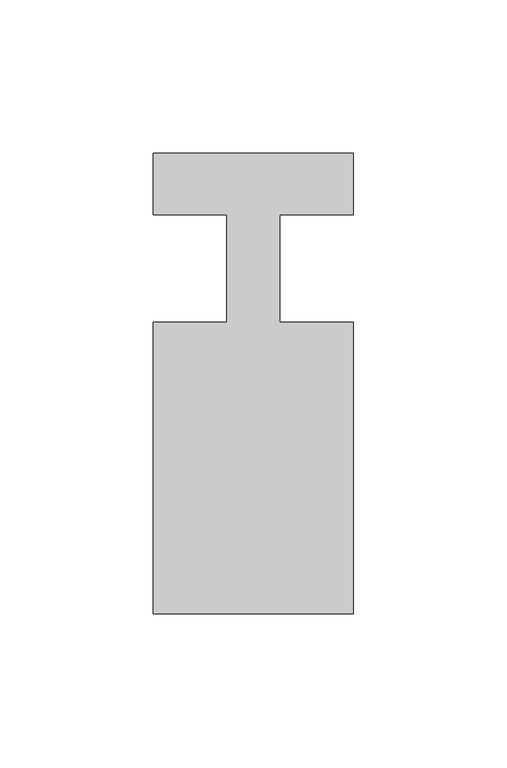
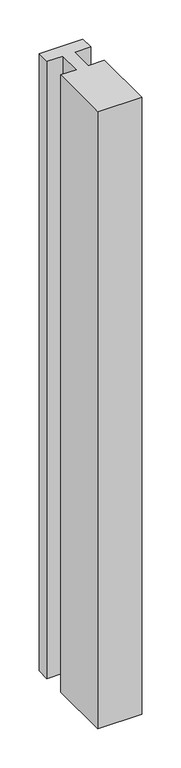
"""IFC4 building model written with IfcOpenShell, lengths in millimetres: member geometry."""

from ifc_helpers import new_model, si_unit, frame, origin, place, context, project, spatial, polyline, outline, extrude, source, transform, mapped, element, save


def member_152e2ebf(model_context):
    return source(origin(), model_context, "Body", "SweptSolid", [
        extrude(outline(polyline([(-65.0, 37.0), (0.0, 37.0), (0.0, 17.0), (-23.8125, 17.0), (-23.8125, -18.0), (0.0, -18.0), (0.0, -113.0), (-65.0, -113.0), (-65.0, -18.0), (-41.1875, -18.0), (-41.1875, 17.0), (-65.0, 17.0), (-65.0, 37.0)])), frame((0.0, 0.0, -965.0), z_axis=(0.0, 0.0, 1.0), x_axis=(1.0, 0.0, 0.0)), (0.0, 0.0, 1.0), 965.0),
    ])


if __name__ == "__main__":
    model = new_model("IFC4")
    model_context = context("Model", 3, world=origin())
    ifc_project = project(units=[si_unit("LENGTHUNIT", "METRE", prefix="MILLI")], contexts=[model_context])
    site = spatial("IfcSite", under=ifc_project)
    building = spatial("IfcBuilding", under=site)
    placement = place(None, origin())
    member_shape = member_152e2ebf(model_context)
    element("IfcMember", 1, at=placement, inside=building, context=model_context, shape_type="MappedRepresentation", body=[
        mapped(member_shape, transform((0.0, 0.0, 0.0), x_axis=(1.0, 0.0, 0.0), y_axis=(0.0, 1.0, 0.0), z_axis=(0.0, 0.0, 1.0))),
    ])
    save(model, "model.ifc")
